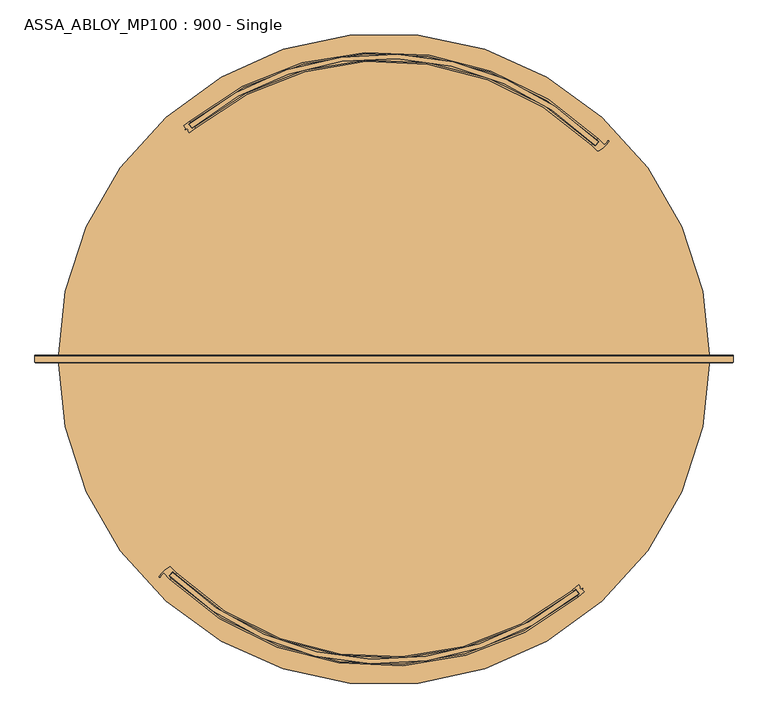
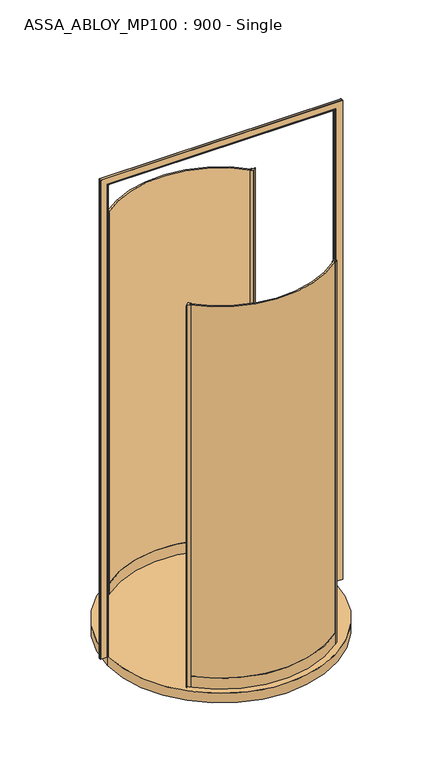
"""IFC4 building model written with IfcOpenShell, lengths in millimetres: door geometry, ASSA_ABLOY_MP100 : 900 - Single."""

from ifc_helpers import new_model, si_unit, point, frame, frame_2d, origin, origin_with_axes, place, context, project, spatial, polyline, circle_curve, ellipse_curve, trimmed, segment, composite_curve, outline, extrude, source, transform, mapped, element, save
from ifc_brep_helpers import plane_surface, cylinder_surface, revolved_surface, advanced_brep


def assa_abloy_mp100_900_single_d47e4c31(model_context):
    return source(origin(), model_context, "Body", "SolidModel", [
        extrude(outline(composite_curve([segment(trimmed(circle_curve(frame_2d((125.0, 0.0)), 671.0), [point((-346.5418534, -477.3775031))], [point((553.3686486, -516.4700387))], True, "CARTESIAN"), True, "CONTINUOUS"), segment(polyline([(553.3686486, -516.4700387), (559.6971588, -524.2131056)]), True, "CONTINUOUS"), segment(trimmed(circle_curve(frame_2d((125.0, 0.0)), 681.0), [point((559.6971588, -524.2131056))], [point((-353.5162849, -484.544286))], False, "CARTESIAN"), True, "CONTINUOUS"), segment(polyline([(-353.5162849, -484.544286), (-346.5418534, -477.3775031)]), True, "CONTINUOUS")], self_intersect=False)), origin_with_axes(), (0.0, 0.0, 1.0), 2600.0),
        extrude(outline(composite_curve([segment(polyline([(559.4935229, -504.7488272), (563.8082177, -510.0279483), (561.8725006, -511.6100353), (564.0874224, -514.3200393), (568.5990465, -512.2867933), (569.3004039, -513.1449189), (567.9171599, -515.0553265), (572.1542237, -520.2394643)]), True, "CONTINUOUS"), segment(trimmed(circle_curve(frame_2d((125.0, 0.0)), 686.0), [point((572.1542237, -520.2394643))], [point((559.124669, -531.1607777))], False, "CARTESIAN"), True, "CONTINUOUS"), segment(polyline([(559.124669, -531.1607777), (557.2261646, -528.8379172)]), True, "CONTINUOUS"), segment(trimmed(circle_curve(frame_2d((125.0, 0.0)), 683.0), [point((557.2261646, -528.8379172))], [point((562.6234714, -524.3802983))], True, "CARTESIAN"), True, "CONTINUOUS"), segment(polyline([(562.6234714, -524.3802983), (553.7633092, -513.5397012)]), True, "CONTINUOUS"), segment(trimmed(circle_curve(frame_2d((125.0, 0.0)), 669.0), [point((553.7633092, -513.5397012))], [point((548.2578051, -518.0867016))], False, "CARTESIAN"), True, "CONTINUOUS"), segment(polyline([(548.2578051, -518.0867016), (546.4679731, -515.6750408)]), True, "CONTINUOUS"), segment(trimmed(circle_curve(frame_2d((125.0, 0.0)), 666.0), [point((546.4679731, -515.6750408))], [point((559.4935229, -504.7488272))], True, "CARTESIAN"), True, "CONTINUOUS")], self_intersect=False)), origin_with_axes(), (0.0, 0.0, 1.0), 2600.0),
        advanced_brep(
        [(-346.5530855, -474.5488522, 0.0), (-356.2544185, -484.6448252, 0.0), (-351.2430103, -489.5324103, 0.0), (-353.3216313, -491.6955874, 0.0), (-367.1678743, -477.8294246, 0.0), (-374.3328125, -486.5213725, 0.0), (-376.9043625, -485.2054148, 0.0), (-355.0372297, -464.9193186, 0.0), (-351.3552254, -465.4179454, 0.0), (-339.4641583, -477.274407, 0.0), (-341.5427792, -479.4375841, 0.0), (-346.5530855, -474.5488522, 2600.0), (-341.5427792, -479.4375841, 2600.0), (-339.4641583, -477.274407, 2600.0), (-351.3552254, -465.4179454, 2600.0), (-355.0372297, -464.9193186, 2600.0), (-376.9043625, -485.2054148, 2600.0), (-374.3466185, -486.5141589, 2600.0), (-367.1678743, -477.8294246, 2600.0), (-353.3216313, -491.6955874, 2600.0), (-351.2430103, -489.5324103, 2600.0), (-356.2544185, -484.6448252, 2600.0)],
        [
            (0, 1),
            (1, 2, circle_curve(frame((-24.5530842, -149.5530842, 0.0), z_axis=(0.0, 0.0, 1.0), x_axis=(-0.7071067811865531, 0.7071067811865418, 0.0)), 471.5)),
            (2, 3),
            (3, 4, circle_curve(frame((-24.5530842, -149.5530842, 0.0), z_axis=(0.0, 0.0, -1.0), x_axis=(-0.7071067811865531, 0.7071067811865418, 0.0)), 474.5)),
            (4, 5, circle_curve(frame((-350.1496567, -499.1569371, 0.0), z_axis=(0.0, 0.0, 1.0), x_axis=(-0.7071067811865531, 0.7071067811865418, 0.0)), 27.285207)),
            (5, 6, circle_curve(frame((-375.6199062, -485.8488732, 0.0), z_axis=(0.0, 0.0, -1.0), x_axis=(-0.7071067811865531, 0.7071067811865418, 0.0)), 1.4366164)),
            (6, 7, circle_curve(frame((-319.4563576, -525.2019988, 0.0), z_axis=(0.0, 0.0, -1.0), x_axis=(-0.7071067811865531, 0.7071067811865418, 0.0)), 70.0)),
            (7, 8, circle_curve(frame((-353.5123352, -467.502862, 0.0), z_axis=(0.0, 0.0, -1.0), x_axis=(-0.7071067811865531, 0.7071067811865418, 0.0)), 3.0)),
            (8, 9, circle_curve(frame((-24.5530842, -149.5530842, 0.0), z_axis=(0.0, 0.0, 1.0), x_axis=(-0.7071067811865531, 0.7071067811865418, 0.0)), 454.5)),
            (9, 10),
            (10, 0, circle_curve(frame((-24.5530842, -149.5530842, 0.0), z_axis=(0.0, 0.0, -1.0), x_axis=(-0.7071067811865531, 0.7071067811865418, 0.0)), 457.5)),
            (11, 12, circle_curve(frame((-24.5530842, -149.5530842, 2600.0), z_axis=(0.0, 0.0, 1.0), x_axis=(-0.7071067811865531, 0.7071067811865418, 0.0)), 457.5)),
            (12, 13),
            (13, 14, circle_curve(frame((-24.5530842, -149.5530842, 2600.0), z_axis=(0.0, 0.0, -1.0), x_axis=(-0.7071067811865531, 0.7071067811865418, 0.0)), 454.5)),
            (14, 15, circle_curve(frame((-353.5123352, -467.502862, 2600.0), z_axis=(0.0, 0.0, 1.0), x_axis=(-0.7071067811865531, 0.7071067811865418, 0.0)), 3.0)),
            (15, 16, circle_curve(frame((-319.4563576, -525.2019988, 2600.0), z_axis=(0.0, 0.0, 1.0), x_axis=(-0.7071067811865531, 0.7071067811865418, 0.0)), 70.0)),
            (16, 17, circle_curve(frame((-375.6199062, -485.8488732, 2600.0), z_axis=(0.0, 0.0, 1.0), x_axis=(-0.7071067811865531, 0.7071067811865418, 0.0)), 1.4366164)),
            (17, 18, circle_curve(frame((-350.1496567, -499.1569371, 2600.0), z_axis=(0.0, 0.0, -1.0), x_axis=(-0.7071067811865531, 0.7071067811865418, 0.0)), 27.285207)),
            (18, 19, circle_curve(frame((-24.5530842, -149.5530842, 2600.0), z_axis=(0.0, 0.0, 1.0), x_axis=(-0.7071067811865531, 0.7071067811865418, 0.0)), 474.5)),
            (19, 20),
            (20, 21, circle_curve(frame((-24.5530842, -149.5530842, 2600.0), z_axis=(0.0, 0.0, -1.0), x_axis=(-0.7071067811865531, 0.7071067811865418, 0.0)), 471.5)),
            (21, 11),
            (0, 11),
            (21, 1),
            (20, 2),
            (19, 3),
            (18, 4),
            (8, 14),
            (13, 9),
            (12, 10),
            (17, 5),
            (16, 6),
            (15, 7),
        ],
        [
            plane_surface(frame((-345.9331163, -470.9331163, 0.0), z_axis=(0.0, 0.0, -1.0000000000000002), x_axis=(-0.7071067811865419, -0.7071067811865532, 0.0))),
            plane_surface(frame((-345.9331163, -470.9331163, 2600.0), z_axis=(0.0, 0.0, 1.0000000000000002), x_axis=(-0.7071067811865419, -0.7071067811865532, 0.0))),
            plane_surface(frame((-346.5530855, -474.5488522, 0.0), z_axis=(0.7210590160944299, -0.692873650320845, 0.0), x_axis=(0.0, 0.0, 1.0))),
            revolved_surface(polyline([(-357.9539315294598, 183.84776312945445, 2600.0), (-357.9539315294598, 183.84776312945445, 0.0)]), (-24.5530842, -149.5530842, 0.0), (0.0, 0.0, 1.0)),
            plane_surface(frame((-351.2430103, -489.5324103, 0.0), z_axis=(0.7210590160945624, -0.6928736503207072, 0.0), x_axis=(0.0, 0.0, 1.0))),
            cylinder_surface(frame((-24.5530842, -149.5530842, 0.0), z_axis=(0.0, 0.0, -1.0), x_axis=(-0.7071067811865531, 0.7071067811865418, 0.0)), 474.5),
            revolved_surface(polyline([(-345.9331162492884, 171.82694784928327, 2600.0), (-345.9331162492884, 171.82694784928327, 0.0)]), (-24.5530842, -149.5530842, 0.0), (0.0, 0.0, 1.0)),
            plane_surface(frame((-339.4641583, -477.274407, 0.0), z_axis=(0.7210590160946411, -0.6928736503206254, 0.0), x_axis=(0.0, 0.0, 1.0))),
            cylinder_surface(frame((-24.5530842, -149.5530842, 0.0), z_axis=(0.0, 0.0, -1.0), x_axis=(-0.7071067811865531, 0.7071067811865418, 0.0)), 457.5),
            revolved_surface(polyline([(-369.4432115957788, -479.86338220422147, 2600.0), (-369.4432115957788, -479.86338220422147, 0.0)]), (-350.1496567, -499.1569371, 0.0), (0.0, 0.0, 1.0)),
            cylinder_surface(frame((-375.6199062, -485.8488732, 0.0), z_axis=(0.0, 0.0, -1.0), x_axis=(-0.7071067811865531, 0.7071067811865418, 0.0)), 1.4366164),
            cylinder_surface(frame((-319.4563576, -525.2019988, 0.0), z_axis=(0.0, 0.0, -1.0), x_axis=(-0.7071067811865531, 0.7071067811865418, 0.0)), 70.0),
            cylinder_surface(frame((-353.5123352, -467.502862, 0.0), z_axis=(0.0, 0.0, -1.0), x_axis=(-0.7071067811865531, 0.7071067811865418, 0.0)), 3.0),
        ],
        [
            (0, [[1, 2, 3, 4, 5, 6, 7, 8, 9, 10, 11]]),
            (1, [[12, 13, 14, 15, 16, 17, 18, 19, 20, 21, 22]]),
            (2, [[-1, 23, -22, 24]]),
            (3, [[-2, -24, -21, 25]]),
            (4, [[-3, -25, -20, 26]]),
            (5, [[-4, -26, -19, 27]]),
            (6, [[-9, 28, -14, 29]]),
            (7, [[-10, -29, -13, 30]]),
            (8, [[-11, -30, -12, -23]]),
            (9, [[-5, -27, -18, 31]]),
            (10, [[-6, -31, -17, 32]]),
            (11, [[-7, -32, -16, 33]]),
            (12, [[-8, -33, -15, -28]]),
        ],
    ),
        advanced_brep(
        [(-339.4844321, -477.2946808, 73.0), (-339.4844321, -477.2946808, 0.0), (-341.5767043, -479.4446569, 0.0), (-341.5767043, -479.4446569, 24.0), (-351.3406413, -489.4778784, 24.0), (-351.3406413, -489.4778784, 0.0), (-353.4329135, -491.6278544, 0.0), (-353.4329135, -491.6278544, 73.0), (-351.3406413, -489.4778784, 73.0), (-351.3406413, -489.4778784, 39.0), (-341.5767043, -479.4446569, 39.0), (-341.5767043, -479.4446569, 73.0), (546.4679731, -515.6750408, 73.0), (548.3664774, -517.9979013, 73.0), (548.3664774, -517.9979013, 39.0), (557.2261646, -528.8379172, 39.0), (557.2261646, -528.8379172, 73.0), (559.124669, -531.1607777, 73.0), (559.124669, -531.1607777, 0.0), (557.2261646, -528.8379172, 0.0), (557.2261646, -528.8379172, 24.0), (548.3664774, -517.9979013, 24.0), (548.3664774, -517.9979013, 0.0), (546.4679731, -515.6750408, 0.0)],
        [
            (0, 1),
            (1, 2),
            (2, 3),
            (3, 4),
            (4, 5),
            (5, 6),
            (6, 7),
            (7, 8),
            (8, 9),
            (9, 10),
            (10, 11),
            (11, 0),
            (12, 13),
            (13, 14),
            (14, 15),
            (15, 16),
            (16, 17),
            (17, 18),
            (18, 19),
            (19, 20),
            (20, 21),
            (21, 22),
            (22, 23),
            (23, 12),
            (23, 1, circle_curve(frame((125.0, 0.0, 0.0), z_axis=(0.0, 0.0, -1.0), x_axis=(-0.6974240722019793, -0.7166586799259523, 0.0)), 666.0)),
            (0, 12, circle_curve(frame((125.0, 0.0, 73.0), z_axis=(0.0, 0.0, 1.0), x_axis=(-0.6974240722019793, -0.7166586799259523, 0.0)), 666.0)),
            (22, 2, circle_curve(frame((125.0, 0.0, 0.0), z_axis=(0.0, 0.0, -1.0), x_axis=(-0.6974240722019793, -0.7166586799259523, 0.0)), 669.0)),
            (21, 3, circle_curve(frame((125.0, 0.0, 24.0), z_axis=(0.0, 0.0, -1.0), x_axis=(-0.6974240722019793, -0.7166586799259523, 0.0)), 669.0)),
            (20, 4, circle_curve(frame((125.0, 0.0, 24.0), z_axis=(0.0, 0.0, -1.0), x_axis=(-0.6974240722019793, -0.7166586799259523, 0.0)), 683.0)),
            (19, 5, circle_curve(frame((125.0, 0.0, 0.0), z_axis=(0.0, 0.0, -1.0), x_axis=(-0.6974240722019793, -0.7166586799259523, 0.0)), 683.0)),
            (18, 6, circle_curve(frame((125.0, 0.0, 0.0), z_axis=(0.0, 0.0, -1.0), x_axis=(-0.6974240722019793, -0.7166586799259523, 0.0)), 686.0)),
            (17, 7, circle_curve(frame((125.0, 0.0, 73.0), z_axis=(0.0, 0.0, -1.0), x_axis=(-0.6974240722019793, -0.7166586799259523, 0.0)), 686.0)),
            (16, 8, circle_curve(frame((125.0, 0.0, 73.0), z_axis=(0.0, 0.0, -1.0), x_axis=(-0.6974240722019793, -0.7166586799259523, 0.0)), 683.0)),
            (15, 9, circle_curve(frame((125.0, 0.0, 39.0), z_axis=(0.0, 0.0, -1.0), x_axis=(-0.6974240722019793, -0.7166586799259523, 0.0)), 683.0)),
            (14, 10, circle_curve(frame((125.0, 0.0, 39.0), z_axis=(0.0, 0.0, -1.0), x_axis=(-0.6974240722019793, -0.7166586799259523, 0.0)), 669.0)),
            (13, 11, circle_curve(frame((125.0, 0.0, 73.0), z_axis=(0.0, 0.0, -1.0), x_axis=(-0.6974240722019793, -0.7166586799259523, 0.0)), 669.0)),
        ],
        [
            plane_surface(frame((-339.4844321, -477.2946808, 0.0), z_axis=(-0.7166586799259522, 0.6974240722019793, 0.0), x_axis=(0.0, 0.0, 1.0))),
            plane_surface(frame((546.4679731, -515.6750408, 0.0), z_axis=(0.774286848015381, 0.6328347943898206, 0.0), x_axis=(0.0, 0.0, 1.0))),
            revolved_surface(polyline([(-339.4844320865182, -477.29468083068423, 73.00000000000003), (-339.4844320865182, -477.29468083068423, 0.0)]), (125.0, 0.0, 0.0), (0.0, 0.0, 1.0000000000000002)),
            plane_surface(frame((125.0, 0.0, 0.0), z_axis=(0.0, 0.0, -1.0000000000000002), x_axis=(-0.6974240722019793, -0.7166586799259523, 0.0))),
            cylinder_surface(frame((125.0, 0.0, 0.0), z_axis=(0.0, 0.0, 1.0000000000000002), x_axis=(-0.6974240722019793, -0.7166586799259523, 0.0)), 669.0),
            plane_surface(frame((125.0, 0.0, 24.0), z_axis=(0.0, 0.0, -1.0000000000000002), x_axis=(-0.6974240722019793, -0.7166586799259523, 0.0))),
            revolved_surface(polyline([(-351.3406413139519, -489.4778783894254, 24.000000000000014), (-351.3406413139519, -489.4778783894254, 0.0)]), (125.0, 0.0, 0.0), (0.0, 0.0, 1.0000000000000002)),
            cylinder_surface(frame((125.0, 0.0, 0.0), z_axis=(0.0, 0.0, 1.0000000000000002), x_axis=(-0.6974240722019793, -0.7166586799259523, 0.0)), 686.0),
            plane_surface(frame((125.0, 0.0, 73.0), z_axis=(0.0, 0.0, 1.0000000000000002), x_axis=(-0.6974240722019793, -0.7166586799259523, 0.0))),
            revolved_surface(polyline([(-351.3406413139519, -489.4778783894254, 73.00000000000003), (-351.3406413139519, -489.4778783894254, 39.000000000000014)]), (125.0, 0.0, 0.0), (0.0, 0.0, 1.0000000000000002)),
            plane_surface(frame((125.0, 0.0, 39.0), z_axis=(0.0, 0.0, 1.0000000000000002), x_axis=(-0.6974240722019793, -0.7166586799259523, 0.0))),
        ],
        [
            (0, [[1, 2, 3, 4, 5, 6, 7, 8, 9, 10, 11, 12]]),
            (1, [[13, 14, 15, 16, 17, 18, 19, 20, 21, 22, 23, 24]]),
            (2, [[25, -1, 26, -24]]),
            (3, [[27, -2, -25, -23]]),
            (4, [[28, -3, -27, -22]]),
            (5, [[29, -4, -28, -21]]),
            (6, [[30, -5, -29, -20]]),
            (3, [[31, -6, -30, -19]]),
            (7, [[32, -7, -31, -18]]),
            (8, [[33, -8, -32, -17]]),
            (9, [[34, -9, -33, -16]]),
            (10, [[35, -10, -34, -15]]),
            (4, [[36, -11, -35, -14]]),
            (8, [[-26, -12, -36, -13]]),
        ],
    ),
        extrude(outline(composite_curve([segment(trimmed(circle_curve(frame_2d((125.0, 0.0)), 671.0), [point((596.5418534, 477.3775031))], [point((-303.3686486, 516.4700387))], True, "CARTESIAN"), True, "CONTINUOUS"), segment(polyline([(-303.3686486, 516.4700387), (-309.6971588, 524.2131056)]), True, "CONTINUOUS"), segment(trimmed(circle_curve(frame_2d((125.0, 0.0)), 681.0), [point((-309.6971588, 524.2131056))], [point((603.5162849, 484.544286))], False, "CARTESIAN"), True, "CONTINUOUS"), segment(polyline([(603.5162849, 484.544286), (596.5418534, 477.3775031)]), True, "CONTINUOUS")], self_intersect=False)), origin_with_axes(), (0.0, 0.0, 1.0), 2600.0),
        extrude(outline(composite_curve([segment(polyline([(-309.4935229, 504.7488272), (-313.8082177, 510.0279483), (-311.8725006, 511.6100353), (-314.0874224, 514.3200393), (-318.5990465, 512.2867933), (-319.3004039, 513.1449189), (-317.9171599, 515.0553265), (-322.1542237, 520.2394643)]), True, "CONTINUOUS"), segment(trimmed(circle_curve(frame_2d((125.0, 0.0)), 686.0), [point((-322.1542237, 520.2394643))], [point((-309.124669, 531.1607777))], False, "CARTESIAN"), True, "CONTINUOUS"), segment(polyline([(-309.124669, 531.1607777), (-307.2261646, 528.8379172)]), True, "CONTINUOUS"), segment(trimmed(circle_curve(frame_2d((125.0, 0.0)), 683.0), [point((-307.2261646, 528.8379172))], [point((-312.6234714, 524.3802983))], True, "CARTESIAN"), True, "CONTINUOUS"), segment(polyline([(-312.6234714, 524.3802983), (-303.7633092, 513.5397012)]), True, "CONTINUOUS"), segment(trimmed(circle_curve(frame_2d((125.0, 0.0)), 669.0), [point((-303.7633092, 513.5397012))], [point((-298.2578051, 518.0867016))], False, "CARTESIAN"), True, "CONTINUOUS"), segment(polyline([(-298.2578051, 518.0867016), (-296.4679731, 515.6750408)]), True, "CONTINUOUS"), segment(trimmed(circle_curve(frame_2d((125.0, 0.0)), 666.0), [point((-296.4679731, 515.6750408))], [point((-309.4935229, 504.7488272))], True, "CARTESIAN"), True, "CONTINUOUS")], self_intersect=False)), origin_with_axes(), (0.0, 0.0, 1.0), 2600.0),
        advanced_brep(
        [(596.5530855, 474.5488522, 0.0), (606.2544185, 484.6448252, 0.0), (601.2430103, 489.5324103, 0.0), (603.3216313, 491.6955874, 0.0), (617.1678743, 477.8294246, 0.0), (624.3328125, 486.5213725, 0.0), (626.9043625, 485.2054148, 0.0), (605.0372297, 464.9193186, 0.0), (601.3552254, 465.4179454, 0.0), (589.4641583, 477.274407, 0.0), (591.5427792, 479.4375841, 0.0), (596.5530855, 474.5488522, 2600.0), (591.5427792, 479.4375841, 2600.0), (589.4641583, 477.274407, 2600.0), (601.3552254, 465.4179454, 2600.0), (605.0372297, 464.9193186, 2600.0), (626.9043625, 485.2054148, 2600.0), (624.3466185, 486.5141589, 2600.0), (617.1678743, 477.8294246, 2600.0), (603.3216313, 491.6955874, 2600.0), (601.2430103, 489.5324103, 2600.0), (606.2544185, 484.6448252, 2600.0)],
        [
            (0, 1),
            (1, 2, circle_curve(frame((274.5530842, 149.5530842, 0.0), z_axis=(0.0, 0.0, 1.0), x_axis=(0.7071067811865526, -0.7071067811865416, 0.0)), 471.5)),
            (2, 3),
            (3, 4, circle_curve(frame((274.5530842, 149.5530842, 0.0), z_axis=(0.0, 0.0, -1.0), x_axis=(0.7071067811865526, -0.7071067811865416, 0.0)), 474.5)),
            (4, 5, circle_curve(frame((600.1496567, 499.1569371, 0.0), z_axis=(0.0, 0.0, 1.0), x_axis=(0.7071067811865526, -0.7071067811865416, 0.0)), 27.285207)),
            (5, 6, circle_curve(frame((625.6199062, 485.8488732, 0.0), z_axis=(0.0, 0.0, -1.0), x_axis=(0.7071067811865526, -0.7071067811865416, 0.0)), 1.4366164)),
            (6, 7, circle_curve(frame((569.4563576, 525.2019988, 0.0), z_axis=(0.0, 0.0, -1.0), x_axis=(0.7071067811865526, -0.7071067811865416, 0.0)), 70.0)),
            (7, 8, circle_curve(frame((603.5123352, 467.502862, 0.0), z_axis=(0.0, 0.0, -1.0), x_axis=(0.7071067811865526, -0.7071067811865416, 0.0)), 3.0)),
            (8, 9, circle_curve(frame((274.5530842, 149.5530842, 0.0), z_axis=(0.0, 0.0, 1.0), x_axis=(0.7071067811865526, -0.7071067811865416, 0.0)), 454.5)),
            (9, 10),
            (10, 0, circle_curve(frame((274.5530842, 149.5530842, 0.0), z_axis=(0.0, 0.0, -1.0), x_axis=(0.7071067811865526, -0.7071067811865416, 0.0)), 457.5)),
            (11, 12, circle_curve(frame((274.5530842, 149.5530842, 2600.0), z_axis=(0.0, 0.0, 1.0), x_axis=(0.7071067811865526, -0.7071067811865416, 0.0)), 457.5)),
            (12, 13),
            (13, 14, circle_curve(frame((274.5530842, 149.5530842, 2600.0), z_axis=(0.0, 0.0, -1.0), x_axis=(0.7071067811865526, -0.7071067811865416, 0.0)), 454.5)),
            (14, 15, circle_curve(frame((603.5123352, 467.502862, 2600.0), z_axis=(0.0, 0.0, 1.0), x_axis=(0.7071067811865526, -0.7071067811865416, 0.0)), 3.0)),
            (15, 16, circle_curve(frame((569.4563576, 525.2019988, 2600.0), z_axis=(0.0, 0.0, 1.0), x_axis=(0.7071067811865526, -0.7071067811865416, 0.0)), 70.0)),
            (16, 17, circle_curve(frame((625.6199062, 485.8488732, 2600.0), z_axis=(0.0, 0.0, 1.0), x_axis=(0.7071067811865526, -0.7071067811865416, 0.0)), 1.4366164)),
            (17, 18, circle_curve(frame((600.1496567, 499.1569371, 2600.0), z_axis=(0.0, 0.0, -1.0), x_axis=(0.7071067811865526, -0.7071067811865416, 0.0)), 27.285207)),
            (18, 19, circle_curve(frame((274.5530842, 149.5530842, 2600.0), z_axis=(0.0, 0.0, 1.0), x_axis=(0.7071067811865526, -0.7071067811865416, 0.0)), 474.5)),
            (19, 20),
            (20, 21, circle_curve(frame((274.5530842, 149.5530842, 2600.0), z_axis=(0.0, 0.0, -1.0), x_axis=(0.7071067811865526, -0.7071067811865416, 0.0)), 471.5)),
            (21, 11),
            (0, 11),
            (21, 1),
            (20, 2),
            (19, 3),
            (18, 4),
            (8, 14),
            (13, 9),
            (12, 10),
            (17, 5),
            (16, 6),
            (15, 7),
        ],
        [
            plane_surface(frame((595.9331163, 470.9331163, 0.0), z_axis=(0.0, 0.0, -1.0), x_axis=(0.707106781186542, 0.707106781186553, 0.0))),
            plane_surface(frame((595.9331163, 470.9331163, 2600.0), z_axis=(0.0, 0.0, 1.0), x_axis=(0.707106781186542, 0.707106781186553, 0.0))),
            plane_surface(frame((596.5530855, 474.5488522, 0.0), z_axis=(-0.7210590160944298, 0.6928736503208452, 0.0), x_axis=(0.0, 0.0, 1.0))),
            revolved_surface(polyline([(607.9539315294595, -183.84776312945434, 2600.0), (607.9539315294595, -183.84776312945434, 0.0)]), (274.5530842, 149.5530842, 0.0), (0.0, 0.0, 1.0)),
            plane_surface(frame((601.2430103, 489.5324103, 0.0), z_axis=(-0.7210590160945622, 0.6928736503207075, 0.0), x_axis=(0.0, 0.0, 1.0))),
            cylinder_surface(frame((274.5530842, 149.5530842, 0.0), z_axis=(0.0, 0.0, -1.0), x_axis=(0.7071067811865526, -0.7071067811865416, 0.0)), 474.5),
            revolved_surface(polyline([(595.9331162492881, -171.82694784928316, 2600.0), (595.9331162492881, -171.82694784928316, 0.0)]), (274.5530842, 149.5530842, 0.0), (0.0, 0.0, 1.0)),
            plane_surface(frame((589.4641583, 477.274407, 0.0), z_axis=(-0.7210590160946408, 0.6928736503206255, 0.0), x_axis=(0.0, 0.0, 1.0))),
            cylinder_surface(frame((274.5530842, 149.5530842, 0.0), z_axis=(0.0, 0.0, -1.0), x_axis=(0.7071067811865526, -0.7071067811865416, 0.0)), 457.5),
            revolved_surface(polyline([(619.4432115957788, 479.8633822042215, 2600.0), (619.4432115957788, 479.8633822042215, 0.0)]), (600.1496567, 499.1569371, 0.0), (0.0, 0.0, 1.0)),
            cylinder_surface(frame((625.6199062, 485.8488732, 0.0), z_axis=(0.0, 0.0, -1.0), x_axis=(0.7071067811865526, -0.7071067811865416, 0.0)), 1.4366164),
            cylinder_surface(frame((569.4563576, 525.2019988, 0.0), z_axis=(0.0, 0.0, -1.0), x_axis=(0.7071067811865526, -0.7071067811865416, 0.0)), 70.0),
            cylinder_surface(frame((603.5123352, 467.502862, 0.0), z_axis=(0.0, 0.0, -1.0), x_axis=(0.7071067811865526, -0.7071067811865416, 0.0)), 3.0),
        ],
        [
            (0, [[1, 2, 3, 4, 5, 6, 7, 8, 9, 10, 11]]),
            (1, [[12, 13, 14, 15, 16, 17, 18, 19, 20, 21, 22]]),
            (2, [[-1, 23, -22, 24]]),
            (3, [[-2, -24, -21, 25]]),
            (4, [[-3, -25, -20, 26]]),
            (5, [[-4, -26, -19, 27]]),
            (6, [[-9, 28, -14, 29]]),
            (7, [[-10, -29, -13, 30]]),
            (8, [[-11, -30, -12, -23]]),
            (9, [[-5, -27, -18, 31]]),
            (10, [[-6, -31, -17, 32]]),
            (11, [[-7, -32, -16, 33]]),
            (12, [[-8, -33, -15, -28]]),
        ],
    ),
        advanced_brep(
        [(589.4844321, 477.2946808, 73.0), (589.4844321, 477.2946808, 0.0), (591.5767043, 479.4446569, 0.0), (591.5767043, 479.4446569, 24.0), (601.3406413, 489.4778784, 24.0), (601.3406413, 489.4778784, 0.0), (603.4329135, 491.6278544, 0.0), (603.4329135, 491.6278544, 73.0), (601.3406413, 489.4778784, 73.0), (601.3406413, 489.4778784, 39.0), (591.5767043, 479.4446569, 39.0), (591.5767043, 479.4446569, 73.0), (-296.4679731, 515.6750408, 73.0), (-298.3664774, 517.9979013, 73.0), (-298.3664774, 517.9979013, 39.0), (-307.2261646, 528.8379172, 39.0), (-307.2261646, 528.8379172, 73.0), (-309.124669, 531.1607777, 73.0), (-309.124669, 531.1607777, 0.0), (-307.2261646, 528.8379172, 0.0), (-307.2261646, 528.8379172, 24.0), (-298.3664774, 517.9979013, 24.0), (-298.3664774, 517.9979013, 0.0), (-296.4679731, 515.6750408, 0.0)],
        [
            (0, 1),
            (1, 2),
            (2, 3),
            (3, 4),
            (4, 5),
            (5, 6),
            (6, 7),
            (7, 8),
            (8, 9),
            (9, 10),
            (10, 11),
            (11, 0),
            (12, 13),
            (13, 14),
            (14, 15),
            (15, 16),
            (16, 17),
            (17, 18),
            (18, 19),
            (19, 20),
            (20, 21),
            (21, 22),
            (22, 23),
            (23, 12),
            (23, 1, circle_curve(frame((125.0, 0.0, 0.0), z_axis=(0.0, 0.0, -1.0), x_axis=(0.6974240722019791, 0.7166586799259518, 0.0)), 666.0)),
            (0, 12, circle_curve(frame((125.0, 0.0, 73.0), z_axis=(0.0, 0.0, 1.0), x_axis=(0.6974240722019791, 0.7166586799259518, 0.0)), 666.0)),
            (22, 2, circle_curve(frame((125.0, 0.0, 0.0), z_axis=(0.0, 0.0, -1.0), x_axis=(0.6974240722019791, 0.7166586799259518, 0.0)), 669.0)),
            (21, 3, circle_curve(frame((125.0, 0.0, 24.0), z_axis=(0.0, 0.0, -1.0), x_axis=(0.6974240722019791, 0.7166586799259518, 0.0)), 669.0)),
            (20, 4, circle_curve(frame((125.0, 0.0, 24.0), z_axis=(0.0, 0.0, -1.0), x_axis=(0.6974240722019791, 0.7166586799259518, 0.0)), 683.0)),
            (19, 5, circle_curve(frame((125.0, 0.0, 0.0), z_axis=(0.0, 0.0, -1.0), x_axis=(0.6974240722019791, 0.7166586799259518, 0.0)), 683.0)),
            (18, 6, circle_curve(frame((125.0, 0.0, 0.0), z_axis=(0.0, 0.0, -1.0), x_axis=(0.6974240722019791, 0.7166586799259518, 0.0)), 686.0)),
            (17, 7, circle_curve(frame((125.0, 0.0, 73.0), z_axis=(0.0, 0.0, -1.0), x_axis=(0.6974240722019791, 0.7166586799259518, 0.0)), 686.0)),
            (16, 8, circle_curve(frame((125.0, 0.0, 73.0), z_axis=(0.0, 0.0, -1.0), x_axis=(0.6974240722019791, 0.7166586799259518, 0.0)), 683.0)),
            (15, 9, circle_curve(frame((125.0, 0.0, 39.0), z_axis=(0.0, 0.0, -1.0), x_axis=(0.6974240722019791, 0.7166586799259518, 0.0)), 683.0)),
            (14, 10, circle_curve(frame((125.0, 0.0, 39.0), z_axis=(0.0, 0.0, -1.0), x_axis=(0.6974240722019791, 0.7166586799259518, 0.0)), 669.0)),
            (13, 11, circle_curve(frame((125.0, 0.0, 73.0), z_axis=(0.0, 0.0, -1.0), x_axis=(0.6974240722019791, 0.7166586799259518, 0.0)), 669.0)),
        ],
        [
            plane_surface(frame((589.4844321, 477.2946808, 0.0), z_axis=(0.7166586799259521, -0.6974240722019794, 0.0), x_axis=(0.0, 0.0, 1.0))),
            plane_surface(frame((-296.4679731, 515.6750408, 0.0), z_axis=(-0.7742868480153811, -0.6328347943898204, 0.0), x_axis=(0.0, 0.0, 1.0))),
            revolved_surface(polyline([(589.4844320865182, 477.2946808306839, 73.00000000000003), (589.4844320865182, 477.2946808306839, 0.0)]), (125.0, 0.0, 0.0), (0.0, 0.0, 1.0000000000000002)),
            plane_surface(frame((125.0, 0.0, 0.0), z_axis=(0.0, 0.0, -1.0), x_axis=(0.6974240722019794, 0.7166586799259521, 0.0))),
            cylinder_surface(frame((125.0, 0.0, 0.0), z_axis=(0.0, 0.0, 1.0000000000000002), x_axis=(0.6974240722019791, 0.7166586799259518, 0.0)), 669.0),
            plane_surface(frame((125.0, 0.0, 24.0), z_axis=(0.0, 0.0, -1.0), x_axis=(0.6974240722019794, 0.7166586799259521, 0.0))),
            revolved_surface(polyline([(601.3406413139517, 489.4778783894251, 24.000000000000014), (601.3406413139517, 489.4778783894251, 0.0)]), (125.0, 0.0, 0.0), (0.0, 0.0, 1.0000000000000002)),
            cylinder_surface(frame((125.0, 0.0, 0.0), z_axis=(0.0, 0.0, 1.0000000000000002), x_axis=(0.6974240722019791, 0.7166586799259518, 0.0)), 686.0),
            plane_surface(frame((125.0, 0.0, 73.0), z_axis=(0.0, 0.0, 1.0), x_axis=(0.6974240722019794, 0.7166586799259521, 0.0))),
            revolved_surface(polyline([(601.3406413139517, 489.4778783894251, 73.00000000000003), (601.3406413139517, 489.4778783894251, 39.000000000000014)]), (125.0, 0.0, 0.0), (0.0, 0.0, 1.0000000000000002)),
            plane_surface(frame((125.0, 0.0, 39.0), z_axis=(0.0, 0.0, 1.0), x_axis=(0.6974240722019794, 0.7166586799259521, 0.0))),
        ],
        [
            (0, [[1, 2, 3, 4, 5, 6, 7, 8, 9, 10, 11, 12]]),
            (1, [[13, 14, 15, 16, 17, 18, 19, 20, 21, 22, 23, 24]]),
            (2, [[25, -1, 26, -24]]),
            (3, [[27, -2, -25, -23]]),
            (4, [[28, -3, -27, -22]]),
            (5, [[29, -4, -28, -21]]),
            (6, [[30, -5, -29, -20]]),
            (3, [[31, -6, -30, -19]]),
            (7, [[32, -7, -31, -18]]),
            (8, [[33, -8, -32, -17]]),
            (9, [[34, -9, -33, -16]]),
            (10, [[35, -10, -34, -15]]),
            (4, [[36, -11, -35, -14]]),
            (8, [[-26, -12, -36, -13]]),
        ],
    ),
        extrude(outline(composite_curve([segment(trimmed(circle_curve(frame_2d((125.0, 0.0)), 727.5), [point((-602.5, 0.0))], [point((852.5, 0.0))], False, "CARTESIAN"), True, "CONTINUOUS"), segment(trimmed(circle_curve(frame_2d((125.0, 0.0)), 727.5), [point((852.5, 0.0))], [point((-602.5, 0.0))], False, "CARTESIAN"), True, "CONTINUOUS")], self_intersect=False)), frame((0.0, 0.0, -65.0), z_axis=(0.0, 0.0, 1.0), x_axis=(1.0, 0.0, 0.0)), (0.0, 0.0, 1.0), 65.0),
        advanced_brep(
        [(853.4, 6.0, 0.0), (855.6980762, 6.0, 0.0), (856.5980762, 5.1, 0.0), (856.5980762, -5.1, 0.0), (855.6980762, -6.0, 0.0), (853.4, -6.0, 0.0), (852.5, -5.1, 0.0), (852.5, 5.1, 0.0), (-603.4, 6.0, 0.0), (-602.5, 5.1, 0.0), (-602.5, -5.1, 0.0), (-603.4, -6.0, 0.0), (-605.6980762, -6.0, 0.0), (-606.5980762, -5.1, 0.0), (-606.5980762, 5.1, 0.0), (-605.6980762, 6.0, 0.0), (853.4, 6.0, 3211.8), (-603.4, 6.0, 3211.8), (-605.6980762, 6.0, 3214.0980762), (855.6980762, 6.0, 3214.0980762), (856.5980762, 5.1, 3214.9980762), (856.5980762, -5.1, 3214.9980762), (855.6980762, -6.0, 3214.0980762), (-605.6980762, -6.0, 3214.0980762), (-603.4, -6.0, 3211.8), (853.4, -6.0, 3211.8), (852.5, -5.1, 3210.9), (852.5, 5.1, 3210.9), (-606.5980762, 5.1, 3214.9980762), (-606.5980762, -5.1, 3214.9980762), (-602.5, -5.1, 3210.9), (-602.5, 5.1, 3210.9)],
        [
            (0, 1),
            (1, 2, circle_curve(frame((855.6980762, 5.1, 0.0), z_axis=(0.0, 0.0, -1.0), x_axis=(-1.0, 0.0, 0.0)), 0.9)),
            (2, 3),
            (3, 4, circle_curve(frame((855.6980762, -5.1, 0.0), z_axis=(0.0, 0.0, -1.0), x_axis=(-1.0, 0.0, 0.0)), 0.9)),
            (4, 5),
            (5, 6, circle_curve(frame((853.4, -5.1, 0.0), z_axis=(0.0, 0.0, -1.0), x_axis=(-1.0, 0.0, 0.0)), 0.9)),
            (6, 7),
            (7, 0, circle_curve(frame((853.4, 5.1, 0.0), z_axis=(0.0, 0.0, -1.0), x_axis=(-1.0, 0.0, 0.0)), 0.9)),
            (8, 9, circle_curve(frame((-603.4, 5.1, 0.0), z_axis=(0.0, 0.0, -1.0), x_axis=(1.0, 0.0, 0.0)), 0.9)),
            (9, 10),
            (10, 11, circle_curve(frame((-603.4, -5.1, 0.0), z_axis=(0.0, 0.0, -1.0), x_axis=(1.0, 0.0, 0.0)), 0.9)),
            (11, 12),
            (12, 13, circle_curve(frame((-605.6980762, -5.1, 0.0), z_axis=(0.0, 0.0, -1.0), x_axis=(1.0, 0.0, 0.0)), 0.9)),
            (13, 14),
            (14, 15, circle_curve(frame((-605.6980762, 5.1, 0.0), z_axis=(0.0, 0.0, -1.0), x_axis=(1.0, 0.0, 0.0)), 0.9)),
            (15, 8),
            (0, 16),
            (16, 17),
            (17, 8),
            (15, 18),
            (18, 19),
            (19, 1),
            (19, 20, ellipse_curve(frame((855.6980762, 5.1, 3214.0980762), z_axis=(0.7071067811865475, 0.0, -0.7071067811865475), x_axis=(-0.7071067811865474, 0.0, -0.7071067811865476)), 1.2727922, 0.9)),
            (20, 2),
            (20, 21),
            (21, 3),
            (21, 22, ellipse_curve(frame((855.6980762, -5.1, 3214.0980762), z_axis=(0.7071067811865475, 0.0, -0.7071067811865475), x_axis=(-0.7071067811865474, 0.0, -0.7071067811865476)), 1.2727922, 0.9)),
            (22, 4),
            (22, 23),
            (23, 12),
            (11, 24),
            (24, 25),
            (25, 5),
            (25, 26, ellipse_curve(frame((853.4, -5.1, 3211.8), z_axis=(0.7071067811865475, 0.0, -0.7071067811865475), x_axis=(-0.7071067811865474, 0.0, -0.7071067811865476)), 1.2727922, 0.9)),
            (26, 6),
            (26, 27),
            (27, 7),
            (27, 16, ellipse_curve(frame((853.4, 5.1, 3211.8), z_axis=(0.7071067811865475, 0.0, -0.7071067811865475), x_axis=(-0.7071067811865474, 0.0, -0.7071067811865476)), 1.2727922, 0.9)),
            (18, 28, ellipse_curve(frame((-605.6980762, 5.1, 3214.0980762), z_axis=(0.7071067811865475, 0.0, 0.7071067811865475), x_axis=(0.7071067811865476, 0.0, -0.7071067811865474)), 1.2727922, 0.9)),
            (28, 20),
            (28, 29),
            (29, 21),
            (29, 23, ellipse_curve(frame((-605.6980762, -5.1, 3214.0980762), z_axis=(0.7071067811865475, 0.0, 0.7071067811865475), x_axis=(0.7071067811865476, 0.0, -0.7071067811865474)), 1.2727922, 0.9)),
            (24, 30, ellipse_curve(frame((-603.4, -5.1, 3211.8), z_axis=(0.7071067811865475, 0.0, 0.7071067811865475), x_axis=(0.7071067811865476, 0.0, -0.7071067811865474)), 1.2727922, 0.9)),
            (30, 26),
            (30, 31),
            (31, 27),
            (31, 17, ellipse_curve(frame((-603.4, 5.1, 3211.8), z_axis=(0.7071067811865475, 0.0, 0.7071067811865475), x_axis=(0.7071067811865476, 0.0, -0.7071067811865474)), 1.2727922, 0.9)),
            (14, 28),
            (13, 29),
            (10, 30),
            (9, 31),
        ],
        [
            plane_surface(frame((856.6, 0.0, 0.0), z_axis=(0.0, 0.0, -1.0), x_axis=(0.0, -1.0, 0.0))),
            plane_surface(frame((-606.6, 0.0, 0.0), z_axis=(0.0, 0.0, -1.0), x_axis=(0.0, -1.0, 0.0))),
            plane_surface(frame((853.4, 6.0, 0.0), z_axis=(0.0, 1.0, 0.0), x_axis=(0.0, 0.0, 1.0))),
            cylinder_surface(frame((855.6980762, 5.1, 0.0), z_axis=(0.0, 0.0, -1.0), x_axis=(-1.0, 0.0, 0.0)), 0.9),
            plane_surface(frame((856.5980762, 5.1, 0.0), z_axis=(1.0, 0.0, 0.0), x_axis=(0.0, 0.0, 1.0))),
            cylinder_surface(frame((855.6980762, -5.1, 0.0), z_axis=(0.0, 0.0, -1.0), x_axis=(-1.0, 0.0, 0.0)), 0.9),
            plane_surface(frame((855.6980762, -6.0, 0.0), z_axis=(0.0, -1.0, 0.0), x_axis=(0.0, 0.0, 1.0))),
            cylinder_surface(frame((853.4, -5.1, 0.0), z_axis=(0.0, 0.0, -1.0), x_axis=(-1.0, 0.0, 0.0)), 0.9),
            plane_surface(frame((852.5, -5.1, 0.0), z_axis=(-1.0, 0.0, 0.0), x_axis=(0.0, 0.0, 1.0))),
            cylinder_surface(frame((853.4, 5.1, 0.0), z_axis=(0.0, 0.0, -1.0), x_axis=(-1.0, 0.0, 0.0)), 0.9),
            cylinder_surface(frame((856.6, 5.1, 3214.0980762), z_axis=(1.0, 0.0, 0.0), x_axis=(0.0, 0.0, -1.0)), 0.9),
            plane_surface(frame((856.5980762, 5.1, 3214.9980762), z_axis=(0.0, 0.0, 1.0), x_axis=(-1.0, 0.0, 0.0))),
            cylinder_surface(frame((856.6, -5.1, 3214.0980762), z_axis=(1.0, 0.0, 0.0), x_axis=(0.0, 0.0, -1.0)), 0.9),
            cylinder_surface(frame((856.6, -5.1, 3211.8), z_axis=(1.0, 0.0, 0.0), x_axis=(0.0, 0.0, -1.0)), 0.9),
            plane_surface(frame((852.5, -5.1, 3210.9), z_axis=(0.0, 0.0, -1.0), x_axis=(-1.0, 0.0, 0.0))),
            cylinder_surface(frame((856.6, 5.1, 3211.8), z_axis=(1.0, 0.0, 0.0), x_axis=(0.0, 0.0, -1.0)), 0.9),
            cylinder_surface(frame((-605.6980762, 5.1, 3215.0), z_axis=(0.0, 0.0, 1.0), x_axis=(1.0, 0.0, 0.0)), 0.9),
            plane_surface(frame((-606.5980762, 5.1, 3214.9980762), z_axis=(-1.0, 0.0, 0.0), x_axis=(0.0, 0.0, -1.0))),
            cylinder_surface(frame((-605.6980762, -5.1, 3215.0), z_axis=(0.0, 0.0, 1.0), x_axis=(1.0, 0.0, 0.0)), 0.9),
            cylinder_surface(frame((-603.4, -5.1, 3215.0), z_axis=(0.0, 0.0, 1.0), x_axis=(1.0, 0.0, 0.0)), 0.9),
            plane_surface(frame((-602.5, -5.1, 3210.9), z_axis=(1.0, 0.0, 0.0), x_axis=(0.0, 0.0, -1.0))),
            cylinder_surface(frame((-603.4, 5.1, 3215.0), z_axis=(0.0, 0.0, 1.0), x_axis=(1.0, 0.0, 0.0)), 0.9),
        ],
        [
            (0, [[1, 2, 3, 4, 5, 6, 7, 8]]),
            (1, [[9, 10, 11, 12, 13, 14, 15, 16]]),
            (2, [[-1, 17, 18, 19, -16, 20, 21, 22]]),
            (3, [[-2, -22, 23, 24]]),
            (4, [[-3, -24, 25, 26]]),
            (5, [[-4, -26, 27, 28]]),
            (6, [[-5, -28, 29, 30, -12, 31, 32, 33]]),
            (7, [[-6, -33, 34, 35]]),
            (8, [[-7, -35, 36, 37]]),
            (9, [[-8, -37, 38, -17]]),
            (10, [[-23, -21, 39, 40]]),
            (11, [[-25, -40, 41, 42]]),
            (12, [[-27, -42, 43, -29]]),
            (13, [[-34, -32, 44, 45]]),
            (14, [[-36, -45, 46, 47]]),
            (15, [[-38, -47, 48, -18]]),
            (16, [[-39, -20, -15, 49]]),
            (17, [[-41, -49, -14, 50]]),
            (18, [[-43, -50, -13, -30]]),
            (19, [[-44, -31, -11, 51]]),
            (20, [[-46, -51, -10, 52]]),
            (21, [[-48, -52, -9, -19]]),
        ],
    ),
        advanced_brep(
        [(903.9209519, 8.5, 0.0), (904.5980762, 7.0, 0.0), (904.5980762, -7.0, 0.0), (903.9209519, -8.5, 0.0), (864.5980762, -8.5, 0.0), (864.5980762, 8.5, 0.0), (-653.9209519, 8.5, 0.0), (-614.5980762, 8.5, 0.0), (-614.5980762, -8.5, 0.0), (-653.9209519, -8.5, 0.0), (-654.5980762, -7.0, 0.0), (-654.5980762, 7.0, 0.0), (903.9209519, 8.5, 3262.3209519), (904.5980762, 7.0, 3262.9980762), (904.5980762, -7.0, 3262.9980762), (903.9209519, -8.5, 3262.3209519), (-653.9209519, -8.5, 3262.3209519), (-614.5980762, -8.5, 3222.9980762), (864.5980762, -8.5, 3222.9980762), (864.5980762, 8.5, 3222.9980762), (-614.5980762, 8.5, 3222.9980762), (-653.9209519, 8.5, 3262.3209519), (-654.5980762, 7.0, 3262.9980762), (-654.5980762, -7.0, 3262.9980762)],
        [
            (0, 1, circle_curve(frame((902.5980762, 7.0, 0.0), z_axis=(0.0, 0.0, -1.0), x_axis=(-1.0, 0.0, 0.0)), 2.0)),
            (1, 2),
            (2, 3, circle_curve(frame((902.5980762, -7.0, 0.0), z_axis=(0.0, 0.0, -1.0), x_axis=(-1.0, 0.0, 0.0)), 2.0)),
            (3, 4),
            (4, 5),
            (5, 0),
            (6, 7),
            (7, 8),
            (8, 9),
            (9, 10, circle_curve(frame((-652.5980762, -7.0, 0.0), z_axis=(0.0, 0.0, -1.0), x_axis=(1.0, 0.0, 0.0)), 2.0)),
            (10, 11),
            (11, 6, circle_curve(frame((-652.5980762, 7.0, 0.0), z_axis=(0.0, 0.0, -1.0), x_axis=(1.0, 0.0, 0.0)), 2.0)),
            (0, 12),
            (12, 13, ellipse_curve(frame((902.5980762, 7.0, 3260.9980762), z_axis=(0.7071067811865475, 0.0, -0.7071067811865475), x_axis=(-0.7071067811865474, 0.0, -0.7071067811865476)), 2.8284271, 2.0)),
            (13, 1),
            (13, 14),
            (14, 2),
            (14, 15, ellipse_curve(frame((902.5980762, -7.0, 3260.9980762), z_axis=(0.7071067811865475, 0.0, -0.7071067811865475), x_axis=(-0.7071067811865474, 0.0, -0.7071067811865476)), 2.8284271, 2.0)),
            (15, 3),
            (15, 16),
            (16, 9),
            (8, 17),
            (17, 18),
            (18, 4),
            (18, 19),
            (19, 5),
            (19, 20),
            (20, 7),
            (6, 21),
            (21, 12),
            (21, 22, ellipse_curve(frame((-652.5980762, 7.0, 3260.9980762), z_axis=(0.7071067811865475, 0.0, 0.7071067811865475), x_axis=(0.7071067811865476, 0.0, -0.7071067811865474)), 2.8284271, 2.0)),
            (22, 13),
            (22, 23),
            (23, 14),
            (23, 16, ellipse_curve(frame((-652.5980762, -7.0, 3260.9980762), z_axis=(0.7071067811865475, 0.0, 0.7071067811865475), x_axis=(0.7071067811865476, 0.0, -0.7071067811865474)), 2.8284271, 2.0)),
            (17, 20),
            (11, 22),
            (10, 23),
        ],
        [
            plane_surface(frame((856.6, 0.0, 0.0), z_axis=(0.0, 0.0, -1.0), x_axis=(0.0, -1.0, 0.0))),
            plane_surface(frame((-606.6, 0.0, 0.0), z_axis=(0.0, 0.0, -1.0), x_axis=(0.0, -1.0, 0.0))),
            cylinder_surface(frame((902.5980762, 7.0, 0.0), z_axis=(0.0, 0.0, -1.0), x_axis=(-1.0, 0.0, 0.0)), 2.0),
            plane_surface(frame((904.5980762, 7.0, 0.0), z_axis=(1.0, 0.0, 0.0), x_axis=(0.0, 0.0, 1.0))),
            cylinder_surface(frame((902.5980762, -7.0, 0.0), z_axis=(0.0, 0.0, -1.0), x_axis=(-1.0, 0.0, 0.0)), 2.0),
            plane_surface(frame((903.9209519, -8.5, 0.0), z_axis=(0.0, -1.0, 0.0), x_axis=(0.0, 0.0, 1.0))),
            plane_surface(frame((864.5980762, -8.5, 0.0), z_axis=(-1.0, 0.0, 0.0), x_axis=(0.0, 0.0, 1.0))),
            plane_surface(frame((864.5980762, 8.5, 0.0), z_axis=(0.0, 1.0, 0.0), x_axis=(0.0, 0.0, 1.0))),
            cylinder_surface(frame((856.6, 7.0, 3260.9980762), z_axis=(1.0, 0.0, 0.0), x_axis=(0.0, 0.0, -1.0)), 2.0),
            plane_surface(frame((904.5980762, 7.0, 3262.9980762), z_axis=(0.0, 0.0, 1.0), x_axis=(-1.0, 0.0, 0.0))),
            cylinder_surface(frame((856.6, -7.0, 3260.9980762), z_axis=(1.0, 0.0, 0.0), x_axis=(0.0, 0.0, -1.0)), 2.0),
            plane_surface(frame((864.5980762, -8.5, 3222.9980762), z_axis=(0.0, 0.0, -1.0), x_axis=(-1.0, 0.0, 0.0))),
            cylinder_surface(frame((-652.5980762, 7.0, 3215.0), z_axis=(0.0, 0.0, 1.0), x_axis=(1.0, 0.0, 0.0)), 2.0),
            plane_surface(frame((-654.5980762, 7.0, 3262.9980762), z_axis=(-1.0, 0.0, 0.0), x_axis=(0.0, 0.0, -1.0))),
            cylinder_surface(frame((-652.5980762, -7.0, 3215.0), z_axis=(0.0, 0.0, 1.0), x_axis=(1.0, 0.0, 0.0)), 2.0),
            plane_surface(frame((-614.5980762, -8.5, 3222.9980762), z_axis=(1.0, 0.0, 0.0), x_axis=(0.0, 0.0, -1.0))),
        ],
        [
            (0, [[1, 2, 3, 4, 5, 6]]),
            (1, [[7, 8, 9, 10, 11, 12]]),
            (2, [[-1, 13, 14, 15]]),
            (3, [[-2, -15, 16, 17]]),
            (4, [[-3, -17, 18, 19]]),
            (5, [[-4, -19, 20, 21, -9, 22, 23, 24]]),
            (6, [[-5, -24, 25, 26]]),
            (7, [[-6, -26, 27, 28, -7, 29, 30, -13]]),
            (8, [[-14, -30, 31, 32]]),
            (9, [[-16, -32, 33, 34]]),
            (10, [[-18, -34, 35, -20]]),
            (11, [[-25, -23, 36, -27]]),
            (12, [[-31, -29, -12, 37]]),
            (13, [[-33, -37, -11, 38]]),
            (14, [[-35, -38, -10, -21]]),
            (15, [[-36, -22, -8, -28]]),
        ],
    ),
    ])


if __name__ == "__main__":
    model = new_model("IFC4")
    model_context = context("Model", 3, world=origin())
    ifc_project = project(units=[si_unit("LENGTHUNIT", "METRE", prefix="MILLI")], contexts=[model_context])
    site = spatial("IfcSite", under=ifc_project)
    building = spatial("IfcBuilding", under=site)
    placement = place(None, origin())
    assa_abloy_mp100_900_single_shape = assa_abloy_mp100_900_single_d47e4c31(model_context)
    element("IfcDoor", 1, ObjectType="ASSA_ABLOY_MP100 : 900 - Single", at=placement, inside=building, context=model_context, shape_type="MappedRepresentation", body=[
        mapped(assa_abloy_mp100_900_single_shape, transform((0.0, 0.0, 0.0), x_axis=(1.0, 0.0, 0.0), y_axis=(0.0, 1.0, 0.0), z_axis=(0.0, 0.0, 1.0))),
    ])
    save(model, "model.ifc")
